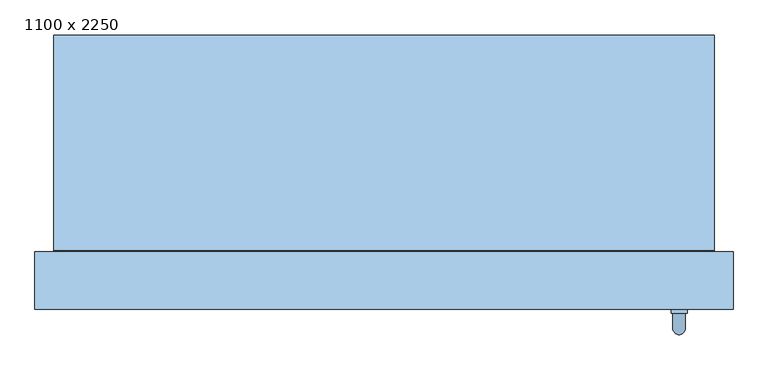
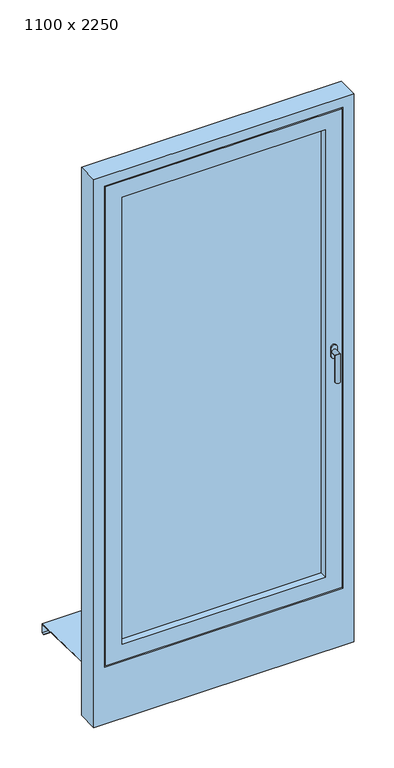
"""IFC4 building model written with IfcOpenShell, lengths in millimetres: window geometry, 1100 x 2250."""

from ifc_helpers import new_model, si_unit, frame, origin, place, context, project, spatial, polyline, circle_curve, ellipse_curve, outline, extrude, faceted_brep, source, transform, mapped, element, save
from ifc_brep_helpers import plane_surface, cylinder_surface, advanced_brep


def window_1100_x_2250_af5f33a9(model_context):
    return source(origin(), model_context, "Body", "SolidModel", [
        advanced_brep(
        [(452.5, -20.0, 1147.5), (477.5, -20.0, 1147.5), (477.5, -20.0, 1130.0), (477.5, -20.0, 1112.5), (452.5, -20.0, 1112.5), (452.5, -20.0, 1130.0), (475.0, -50.0, 1130.0), (475.0, -26.0, 1130.0), (455.0, -26.0, 1130.0), (455.0, -50.0, 1130.0), (475.0, -50.0, 1010.0), (455.0, -50.0, 1010.0), (452.5, -26.0, 1147.5), (452.5, -26.0, 1130.0), (452.5, -26.0, 1112.5), (477.5, -26.0, 1112.5), (477.5, -26.0, 1130.0), (477.5, -26.0, 1147.5)],
        [
            (0, 1, circle_curve(frame((465.0, -20.0, 1147.5), z_axis=(0.0, 1.0, 0.0), x_axis=(-1.0, 0.0, 0.0)), 12.5)),
            (1, 2),
            (2, 3),
            (3, 4, circle_curve(frame((465.0, -20.0, 1112.5), z_axis=(0.0, 1.0, 0.0), x_axis=(-1.0, 0.0, 0.0)), 12.5)),
            (4, 5),
            (5, 0),
            (6, 7),
            (7, 8, circle_curve(frame((465.0, -26.0, 1130.0), z_axis=(0.0, -1.0, 0.0), x_axis=(-1.0, 0.0, 0.0)), 10.0)),
            (8, 9),
            (9, 6, ellipse_curve(frame((465.0, -50.0, 1130.0), z_axis=(0.0, 0.7071067811865498, 0.7071067811865451), x_axis=(0.0, 0.7071067811865452, -0.7071067811865497)), 14.1421356, 10.0)),
            (8, 7, circle_curve(frame((465.0, -26.0, 1130.0), z_axis=(0.0, -1.0, 0.0), x_axis=(-1.0, 0.0, 0.0)), 10.0)),
            (6, 9, ellipse_curve(frame((465.0, -50.0, 1130.0), z_axis=(0.0, 0.7071067811865498, 0.7071067811865451), x_axis=(0.0, 0.7071067811865452, -0.7071067811865497)), 14.1421356, 10.0)),
            (10, 11, circle_curve(frame((465.0, -50.0, 1010.0), z_axis=(0.0, 0.0, -1.0), x_axis=(-1.0, 0.0, 0.0)), 10.0)),
            (11, 10, circle_curve(frame((465.0, -50.0, 1010.0), z_axis=(0.0, 0.0, -1.0), x_axis=(-1.0, 0.0, 0.0)), 10.0)),
            (9, 11),
            (10, 6),
            (12, 13),
            (13, 14),
            (14, 15, circle_curve(frame((465.0, -26.0, 1112.5), z_axis=(0.0, -1.0, 0.0), x_axis=(-1.0, 0.0, 0.0)), 12.5)),
            (15, 16),
            (16, 17),
            (17, 12, circle_curve(frame((465.0, -26.0, 1147.5), z_axis=(0.0, -1.0, 0.0), x_axis=(-1.0, 0.0, 0.0)), 12.5)),
            (17, 1),
            (0, 12),
            (16, 2),
            (15, 3),
            (14, 4),
            (13, 5),
        ],
        [
            plane_surface(frame((465.0, -20.0, 1130.0), z_axis=(0.0, 1.0, 0.0), x_axis=(-1.0, 0.0, 0.0))),
            cylinder_surface(frame((465.0, -20.0, 1130.0), z_axis=(0.0, 1.0, 0.0), x_axis=(-1.0, 0.0, 0.0)), 10.0),
            plane_surface(frame((465.0, -50.0, 1010.0), z_axis=(0.0, 0.0, -1.0), x_axis=(-1.0, 0.0, 0.0))),
            cylinder_surface(frame((465.0, -50.0, 1130.0), z_axis=(0.0, 0.0, 1.0), x_axis=(-1.0, 0.0, 0.0)), 10.0),
            plane_surface(frame((452.5, -26.0, 1147.5), z_axis=(0.0, -1.0, 0.0), x_axis=(0.0, 0.0, 1.0))),
            cylinder_surface(frame((465.0, -20.0, 1147.5), z_axis=(0.0, -1.0, 0.0), x_axis=(-1.0, 0.0, 0.0)), 12.5),
            plane_surface(frame((477.5, -26.0, 1147.5), z_axis=(1.0, 0.0, 0.0), x_axis=(0.0, 1.0, 0.0))),
            plane_surface(frame((477.5, -26.0, 1130.0), z_axis=(1.0, 0.0, 0.0), x_axis=(0.0, 1.0, 0.0))),
            cylinder_surface(frame((465.0, -20.0, 1112.5), z_axis=(0.0, -1.0, 0.0), x_axis=(-1.0, 0.0, 0.0)), 12.5),
            plane_surface(frame((452.5, -26.0, 1112.5), z_axis=(-1.0, 0.0, 0.0), x_axis=(0.0, 1.0, 0.0))),
            plane_surface(frame((452.5, -26.0, 1130.0), z_axis=(-1.0, 0.0, 0.0), x_axis=(0.0, 1.0, 0.0))),
        ],
        [
            (0, [[1, 2, 3, 4, 5, 6]]),
            (1, [[7, 8, 9, 10]]),
            (1, [[-9, 11, -7, 12]]),
            (2, [[13, 14]]),
            (3, [[15, -13, 16, -10]]),
            (3, [[-16, -14, -15, -12]]),
            (4, [[17, 18, 19, 20, 21, 22], [-11, -8]]),
            (5, [[23, -1, 24, -22]]),
            (6, [[25, -2, -23, -21]]),
            (7, [[26, -3, -25, -20]]),
            (8, [[27, -4, -26, -19]]),
            (9, [[28, -5, -27, -18]]),
            (10, [[-24, -6, -28, -17]]),
        ],
    ),
        faceted_brep([(-430.0, -20.0, 2130.0), (-430.0, -20.0, 130.0), (-430.0, 70.0, 130.0), (-430.0, 70.0, 2130.0), (-460.0, 70.0, 100.0), (-460.0, 70.0, 2160.0), (460.0, 70.0, 2160.0), (460.0, 70.0, 100.0), (430.0, 70.0, 130.0), (430.0, 70.0, 2130.0), (430.0, -20.0, 130.0), (-500.0, -20.0, 2200.0), (-500.0, -20.0, 60.0), (500.0, -20.0, 60.0), (500.0, -20.0, 2200.0), (430.0, -20.0, 2130.0), (-500.0, -5.0, 2200.0), (-500.0, -5.0, 60.0), (500.0, -5.0, 60.0), (500.0, -5.0, 2200.0), (-485.0, -5.0, 2185.0), (-485.0, -5.0, 75.0), (485.0, -5.0, 75.0), (485.0, -5.0, 2185.0), (-485.0, 25.0, 2185.0), (-485.0, 25.0, 75.0), (485.0, 25.0, 75.0), (485.0, 25.0, 2185.0), (-475.0, 25.0, 2175.0), (-475.0, 25.0, 85.0), (475.0, 25.0, 85.0), (475.0, 25.0, 2175.0), (-475.0, 55.0, 2175.0), (-475.0, 55.0, 85.0), (475.0, 55.0, 85.0), (475.0, 55.0, 2175.0), (-460.0, 55.0, 2160.0), (-460.0, 55.0, 100.0), (460.0, 55.0, 100.0), (460.0, 55.0, 2160.0)], [[[0, 1, 2, 3]], [[4, 5, 6, 7], [3, 2, 8, 9]], [[1, 10, 8, 2]], [[11, 12, 13, 14], [1, 0, 15, 10]], [[16, 17, 12, 11]], [[17, 18, 13, 12]], [[17, 16, 19, 18], [20, 21, 22, 23]], [[24, 25, 21, 20]], [[25, 26, 22, 21]], [[25, 24, 27, 26], [28, 29, 30, 31]], [[32, 33, 29, 28]], [[33, 34, 30, 29]], [[33, 32, 35, 34], [36, 37, 38, 39]], [[5, 4, 37, 36]], [[4, 7, 38, 37]], [[10, 15, 9, 8]], [[18, 19, 14, 13]], [[26, 27, 23, 22]], [[34, 35, 31, 30]], [[7, 6, 39, 38]], [[15, 0, 3, 9]], [[19, 16, 11, 14]], [[27, 24, 20, 23]], [[35, 32, 28, 31]], [[6, 5, 36, 39]]]),
        extrude(outline(polyline([(-430.0, 55.0), (430.0, 55.0), (430.0, 11.0), (-430.0, 11.0), (-430.0, 55.0)])), frame((0.0, 0.0, 130.0), z_axis=(0.0, 0.0, 1.0), x_axis=(1.0, 0.0, 0.0)), (0.0, 0.0, 1.0), 2000.0),
        faceted_brep([(-520.0, 412.0, -8.6874695), (-520.0, 390.0, -7.9999695), (-520.0, 72.0, 1.9375305), (520.0, 72.0, 1.9375305), (520.0, 390.0, -7.9999695), (520.0, 412.0, -8.6874695), (-520.0, 412.0, -48.6874695), (520.0, 412.0, -48.6874695), (-520.0, 400.0, -48.6874695), (520.0, 400.0, -48.6874695), (-520.0, 400.0, -46.6874695), (520.0, 400.0, -46.6874695), (-520.0, 410.0, -46.6874695), (520.0, 410.0, -46.6874695), (-520.0, 410.0, -10.625), (520.0, 410.0, -10.625), (-520.0, 390.0, -10.0), (520.0, 390.0, -10.0), (520.0, 70.0, 0.0), (-520.0, 70.0, 0.0), (-520.0, 70.0, 20.0), (520.0, 70.0, 20.0), (-520.0, 72.0, 20.0), (520.0, 72.0, 20.0)], [[[0, 1, 2, 3, 4, 5]], [[6, 0, 5, 7]], [[8, 6, 7, 9]], [[10, 8, 9, 11]], [[12, 10, 11, 13]], [[14, 12, 13, 15]], [[16, 14, 15, 17, 18, 19]], [[20, 19, 18, 21]], [[22, 20, 21, 23]], [[2, 22, 23, 3]], [[16, 1, 0, 6, 8, 10, 12, 14]], [[17, 4, 3, 23, 21, 18]], [[1, 16, 19, 20, 22, 2]], [[4, 17, 15, 13, 11, 9, 7, 5]]]),
        faceted_brep([(550.0, 70.0, -200.0), (550.0, -20.0, -200.0), (-550.0, -20.0, -200.0), (-550.0, 70.0, -200.0), (550.0, 70.0, 2250.0), (550.0, -20.0, 2250.0), (-550.0, -20.0, 2250.0), (505.0, -20.0, 2205.0), (505.0, -20.0, 55.0), (-505.0, -20.0, 55.0), (-505.0, -20.0, 2205.0), (-550.0, 70.0, 2250.0), (465.0, 70.0, 95.0), (465.0, 70.0, 2165.0), (-465.0, 70.0, 2165.0), (-465.0, 70.0, 95.0), (465.0, 55.0, 95.0), (465.0, 55.0, 2165.0), (-465.0, 55.0, 95.0), (-465.0, 55.0, 2165.0), (505.0, -5.0, 2205.0), (505.0, -5.0, 55.0), (-505.0, -5.0, 55.0), (-505.0, -5.0, 2205.0), (490.0, -5.0, 2190.0), (490.0, -5.0, 70.0), (-490.0, -5.0, 70.0), (-490.0, -5.0, 2190.0), (490.0, 25.0, 70.0), (490.0, 25.0, 2190.0), (-490.0, 25.0, 2190.0), (-490.0, 25.0, 70.0), (480.0, 25.0, 2180.0), (480.0, 25.0, 80.0), (-480.0, 25.0, 80.0), (-480.0, 25.0, 2180.0), (480.0, 55.0, 80.0), (480.0, 55.0, 2180.0), (-480.0, 55.0, 2180.0), (-480.0, 55.0, 80.0)], [[[0, 1, 2, 3]], [[4, 5, 1, 0]], [[5, 6, 2, 1], [7, 8, 9, 10]], [[6, 11, 3, 2]], [[11, 4, 0, 3], [12, 13, 14, 15]], [[12, 16, 17, 13]], [[18, 15, 14, 19]], [[16, 12, 15, 18]], [[20, 21, 8, 7]], [[8, 21, 22, 9]], [[9, 22, 23, 10]], [[21, 20, 23, 22], [24, 25, 26, 27]], [[28, 29, 30, 31], [32, 33, 34, 35]], [[29, 28, 25, 24]], [[25, 28, 31, 26]], [[36, 37, 38, 39], [17, 16, 18, 19]], [[37, 36, 33, 32]], [[33, 36, 39, 34]], [[26, 31, 30, 27]], [[34, 39, 38, 35]], [[4, 11, 6, 5]], [[20, 7, 10, 23]], [[29, 24, 27, 30]], [[37, 32, 35, 38]], [[13, 17, 19, 14]]]),
    ])


if __name__ == "__main__":
    model = new_model("IFC4")
    model_context = context("Model", 3, world=origin())
    ifc_project = project(units=[si_unit("LENGTHUNIT", "METRE", prefix="MILLI")], contexts=[model_context])
    site = spatial("IfcSite", under=ifc_project)
    building = spatial("IfcBuilding", under=site)
    placement = place(None, origin())
    window_1100_x_2250_shape = window_1100_x_2250_af5f33a9(model_context)
    element("IfcWindow", 1, ObjectType="1100 x 2250", at=placement, inside=building, context=model_context, shape_type="MappedRepresentation", body=[
        mapped(window_1100_x_2250_shape, transform((0.0, 0.0, 0.0), x_axis=(1.0, 0.0, 0.0), y_axis=(0.0, 1.0, 0.0), z_axis=(0.0, 0.0, 1.0))),
    ])
    save(model, "model.ifc")
